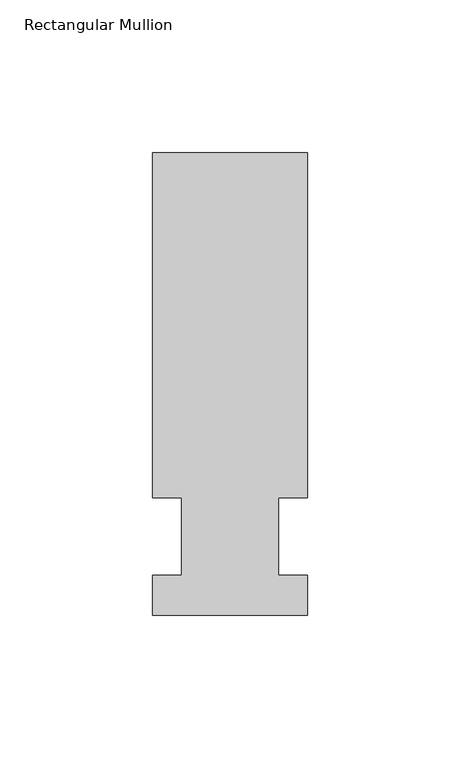
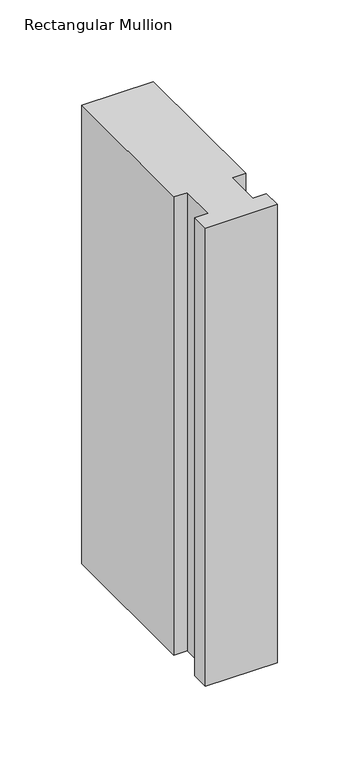
"""IFC4 building model written with IfcOpenShell, lengths in millimetres: member geometry, Rectangular Mullion."""

from ifc_helpers import new_model, si_unit, frame, origin, place, context, project, spatial, polyline, outline, extrude, source, transform, mapped, element, save


def rectangular_mullion_5463216c(model_context):
    return source(origin(), model_context, "Body", "SweptSolid", [
        extrude(outline(polyline([(-25.4, -25.796875), (-25.4, -12.7), (-15.875, -12.7), (-15.875, 12.7), (-25.4, 12.7), (-25.4, 125.809375), (25.4, 125.809375), (25.4, 12.7), (15.875, 12.7), (15.875, -12.7), (25.4, -12.7), (25.4, -25.796875), (-25.4, -25.796875)])), frame((0.0, 0.0, -342.9), z_axis=(0.0, 0.0, 1.0), x_axis=(1.0, 0.0, 0.0)), (0.0, 0.0, 1.0), 342.9),
    ])


if __name__ == "__main__":
    model = new_model("IFC4")
    model_context = context("Model", 3, world=origin())
    ifc_project = project(units=[si_unit("LENGTHUNIT", "METRE", prefix="MILLI")], contexts=[model_context])
    site = spatial("IfcSite", under=ifc_project)
    building = spatial("IfcBuilding", under=site)
    placement = place(None, origin())
    rectangular_mullion_shape = rectangular_mullion_5463216c(model_context)
    element("IfcMember", 1, ObjectType="Rectangular Mullion", at=placement, inside=building, context=model_context, shape_type="MappedRepresentation", body=[
        mapped(rectangular_mullion_shape, transform((0.0, 0.0, 0.0), x_axis=(1.0, 0.0, 0.0), y_axis=(0.0, 1.0, 0.0), z_axis=(0.0, 0.0, 1.0))),
    ])
    save(model, "model.ifc")
